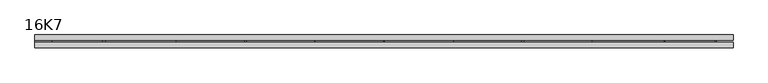
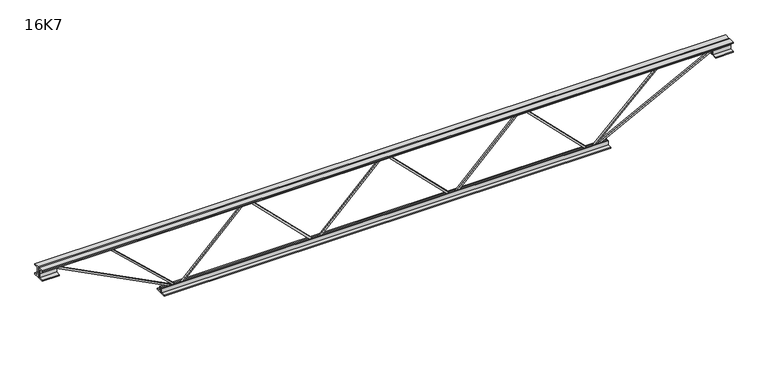
"""IFC4 building model written with IfcOpenShell, lengths in millimetres: beam geometry, 16K7."""

from ifc_helpers import new_model, si_unit, frame, origin, place, context, project, spatial, polyline, outline, extrude, source, transform, mapped, element, save


def beam_16k7_ded0bc45(model_context):
    return source(origin(), model_context, "Body", "SweptSolid", [
        extrude(outline(polyline([(-191.9, -400.5), (-201.4, -400.5), (-201.4, -395.3604884), (191.9, -1.2104884), (191.9, 1.2104884), (-201.4, 395.3604884), (-201.4, 400.5), (-191.9, 400.5), (-191.9, 399.2895116), (201.4, 5.1395116), (201.4, -5.1395116), (-191.9, -399.2895116), (-191.9, -400.5)])), frame((0.0, -4.75, 0.0), z_axis=(0.0, 1.0, 0.0), x_axis=(0.0, 0.0, 1.0)), (0.0, 0.0, 1.0), 9.5),
        extrude(outline(polyline([(-191.9, 400.5), (-201.4, 400.5), (-201.4, 405.6395116), (191.9, 799.7895116), (191.9, 802.2104884), (-201.4, 1196.3604884), (-201.4, 1201.5), (-191.9, 1201.5), (-191.9, 1200.2895116), (201.4, 806.1395116), (201.4, 795.8604884), (-191.9, 401.7104884), (-191.9, 400.5)])), frame((0.0, -4.75, 0.0), z_axis=(0.0, 1.0, 0.0), x_axis=(0.0, 0.0, 1.0)), (0.0, 0.0, 1.0), 9.5),
        extrude(outline(polyline([(-191.9, -1201.5), (-201.4, -1201.5), (-201.4, -1196.3604884), (191.9, -802.2104884), (191.9, -799.7895116), (-201.4, -405.6395116), (-201.4, -400.5), (-191.9, -400.5), (-191.9, -401.7104884), (201.4, -795.8604884), (201.4, -806.1395116), (-191.9, -1200.2895116), (-191.9, -1201.5)])), frame((0.0, -4.75, 0.0), z_axis=(0.0, 1.0, 0.0), x_axis=(0.0, 0.0, 1.0)), (0.0, 0.0, 1.0), 9.5),
        extrude(outline(polyline([(4.75, 203.0), (36.75, 203.0), (36.75, 196.5), (11.25, 196.5), (11.25, 171.0), (4.75, 171.0), (4.75, 203.0)])), frame((-2013.5, 0.0, 0.0), z_axis=(1.0, 0.0, 0.0), x_axis=(0.0, 1.0, 0.0)), (0.0, 0.0, 1.0), 4027.0),
        extrude(outline(polyline([(-4.75, 203.0), (-4.75, 171.0), (-11.25, 171.0), (-11.25, 196.5), (-36.75, 196.5), (-36.75, 203.0), (-4.75, 203.0)])), frame((-2013.5, 0.0, 0.0), z_axis=(1.0, 0.0, 0.0), x_axis=(0.0, 1.0, 0.0)), (0.0, 0.0, 1.0), 4027.0),
        extrude(outline(polyline([(-4.75, 139.5), (-36.75, 139.5), (-36.75, 146.0), (-11.25, 146.0), (-11.25, 171.0), (-4.75, 171.0), (-4.75, 139.5)])), frame((-2013.5, 0.0, 0.0), z_axis=(1.0, 0.0, 0.0), x_axis=(0.0, 1.0, 0.0)), (0.0, 0.0, 1.0), 100.0),
        extrude(outline(polyline([(36.75, 139.5), (4.75, 139.5), (4.75, 171.0), (11.25, 171.0), (11.25, 146.0), (36.75, 146.0), (36.75, 139.5)])), frame((-2013.5, 0.0, 0.0), z_axis=(1.0, 0.0, 0.0), x_axis=(0.0, 1.0, 0.0)), (0.0, 0.0, 1.0), 100.0),
        extrude(outline(polyline([(4.75, 139.5), (4.75, 171.0), (11.25, 171.0), (11.25, 146.0), (36.75, 146.0), (36.75, 139.5), (4.75, 139.5)])), frame((1913.5, 0.0, 0.0), z_axis=(1.0, 0.0, 0.0), x_axis=(0.0, 1.0, 0.0)), (0.0, 0.0, 1.0), 100.0),
        extrude(outline(polyline([(-4.75, 139.5), (-36.75, 139.5), (-36.75, 146.0), (-11.25, 146.0), (-11.25, 171.0), (-4.75, 171.0), (-4.75, 139.5)])), frame((1913.5, 0.0, 0.0), z_axis=(1.0, 0.0, 0.0), x_axis=(0.0, 1.0, 0.0)), (0.0, 0.0, 1.0), 100.0),
        extrude(outline(polyline([(4.75, -203.0), (4.75, -171.0), (11.25, -171.0), (11.25, -196.5), (36.75, -196.5), (36.75, -203.0), (4.75, -203.0)])), frame((-1301.5, 0.0, 0.0), z_axis=(1.0, 0.0, 0.0), x_axis=(0.0, 1.0, 0.0)), (0.0, 0.0, 1.0), 2603.0),
        extrude(outline(polyline([(-4.75, -203.0), (-36.75, -203.0), (-36.75, -196.5), (-11.25, -196.5), (-11.25, -171.0), (-4.75, -171.0), (-4.75, -203.0)])), frame((-1301.5, 0.0, 0.0), z_axis=(1.0, 0.0, 0.0), x_axis=(0.0, 1.0, 0.0)), (0.0, 0.0, 1.0), 2603.0),
        extrude(outline(polyline([(-200.8705467, -1203.6793315), (-192.4294533, -1199.3206685), (175.75, -1912.3460208), (175.75, -2013.5), (166.25, -2013.5), (166.25, -1914.6539792), (-200.8705467, -1203.6793315)])), frame((0.0, -4.75, 0.0), z_axis=(0.0, 1.0, 0.0), x_axis=(0.0, 0.0, 1.0)), (0.0, 0.0, 1.0), 9.5),
        extrude(outline(polyline([(188.7, -1621.9571429), (179.2, -1621.9571429), (179.2, -1611.1295139), (-200.1223992, -1204.7411331), (-193.1776008, -1198.2588669), (188.7, -1607.3847718), (188.7, -1621.9571429)])), frame((0.0, -4.75, 0.0), z_axis=(0.0, 1.0, 0.0), x_axis=(0.0, 0.0, 1.0)), (0.0, 0.0, 1.0), 9.5),
        extrude(outline(polyline([(0.0, -9.5), (0.0, 0.0), (801.3179909, 0.0), (801.3179909, -9.5), (0.0, -9.5)])), frame((1915.6793315, -4.75, 166.7794533), z_axis=(-0.4588066213244957, 0.0, 0.8885361468329811), x_axis=(-0.8885361468329811, 0.0, -0.4588066213244957)), (0.0, 0.0, 1.0), 9.5),
        extrude(outline(polyline([(0.0, -9.5), (0.0, 0.0), (571.7707123, 0.0), (571.7707123, -9.5), (0.0, -9.5)])), frame((1619.7816357, -4.75, 193.2022581), z_axis=(-0.6878631444351505, 0.0, 0.7258404056869439), x_axis=(-0.7258404056869439, 0.0, -0.6878631444351505)), (0.0, 0.0, 1.0), 9.5),
    ])


if __name__ == "__main__":
    model = new_model("IFC4")
    model_context = context("Model", 3, world=origin())
    ifc_project = project(units=[si_unit("LENGTHUNIT", "METRE", prefix="MILLI")], contexts=[model_context])
    site = spatial("IfcSite", under=ifc_project)
    building = spatial("IfcBuilding", under=site)
    placement = place(None, origin())
    beam_16k7_shape = beam_16k7_ded0bc45(model_context)
    element("IfcBeam", 1, ObjectType="16K7", at=placement, inside=building, context=model_context, shape_type="MappedRepresentation", body=[
        mapped(beam_16k7_shape, transform((0.0, 0.0, 0.0), x_axis=(1.0, 0.0, 0.0), y_axis=(0.0, 1.0, 0.0), z_axis=(0.0, 0.0, 1.0))),
    ])
    save(model, "model.ifc")
